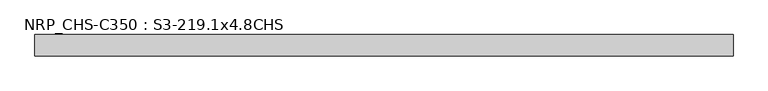
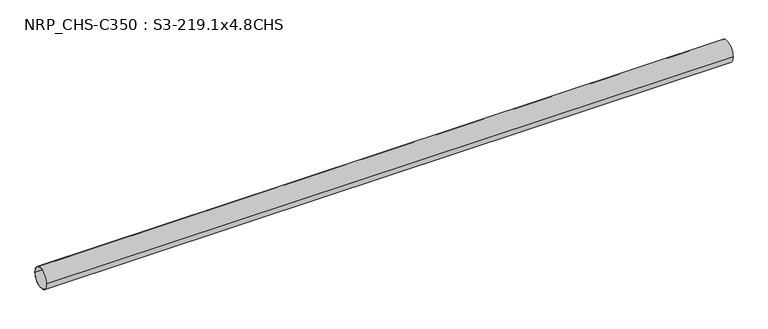
"""IFC4 building model written with IfcOpenShell, lengths in millimetres: beam geometry, NRP_CHS-C350 : S3-219.1x4.8CHS."""

from ifc_helpers import new_model, si_unit, point, frame, origin, origin_2d, place, context, project, spatial, circle_curve, trimmed, segment, composite_curve, outline, extrude, source, transform, mapped, element, save


def nrp_chs_c350_s3_219_1x4_8chs_61baa6ed(model_context):
    return source(origin(), model_context, "Body", "SweptSolid", [
        extrude(outline(composite_curve([segment(trimmed(circle_curve(origin_2d(), 109.55), [point((109.55, 0.0))], [point((-109.55, 0.0))], False, "CARTESIAN"), True, "CONTINUOUS"), segment(trimmed(circle_curve(origin_2d(), 109.55), [point((-109.55, 0.0))], [point((109.55, 0.0))], False, "CARTESIAN"), True, "CONTINUOUS")], self_intersect=False), holes=[composite_curve([segment(trimmed(circle_curve(origin_2d(), 104.75), [point((-104.75, 0.0))], [point((104.75, 0.0))], True, "CARTESIAN"), True, "CONTINUOUS"), segment(trimmed(circle_curve(origin_2d(), 104.75), [point((104.75, 0.0))], [point((-104.75, 0.0))], True, "CARTESIAN"), True, "CONTINUOUS")], self_intersect=False)]), frame((-3575.05, 0.0, 0.0), z_axis=(1.0, 0.0, 0.0), x_axis=(0.0, 1.0, 0.0)), (0.0, 0.0, 1.0), 7179.1),
    ])


if __name__ == "__main__":
    model = new_model("IFC4")
    model_context = context("Model", 3, world=origin())
    ifc_project = project(units=[si_unit("LENGTHUNIT", "METRE", prefix="MILLI")], contexts=[model_context])
    site = spatial("IfcSite", under=ifc_project)
    building = spatial("IfcBuilding", under=site)
    placement = place(None, origin())
    nrp_chs_c350_s3_219_1x4_8chs_shape = nrp_chs_c350_s3_219_1x4_8chs_61baa6ed(model_context)
    element("IfcBeam", 1, ObjectType="NRP_CHS-C350 : S3-219.1x4.8CHS", at=placement, inside=building, context=model_context, shape_type="MappedRepresentation", body=[
        mapped(nrp_chs_c350_s3_219_1x4_8chs_shape, transform((0.0, 0.0, 0.0), x_axis=(1.0, 0.0, 0.0), y_axis=(0.0, 1.0, 0.0), z_axis=(0.0, 0.0, 1.0))),
    ])
    save(model, "model.ifc")
